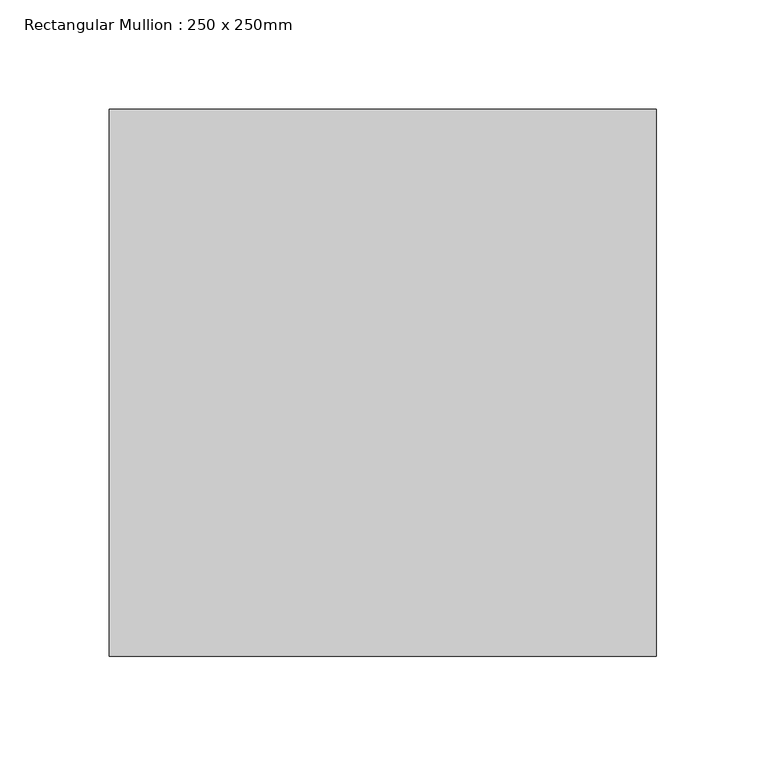
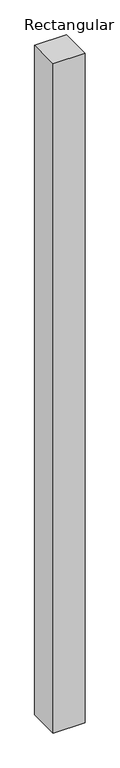
"""IFC4 building model written with IfcOpenShell, lengths in millimetres: member geometry, Rectangular Mullion : 250 x 250mm."""

import ifcopenshell
import ifcopenshell.guid

model = None  # the IFC model being written
_history = None  # IfcOwnerHistory: only IFC2X3 demands one
_inside = {}  # id of a spatial element -> (the spatial element, [elements in it])
_under = {}  # id of a project, library or spatial element -> (it, [spatial elements below it])
_declared = {}  # id of a project -> (the project, [libraries it declares])
_typed = {}  # id of a type object -> (the type object, [elements of that type])
_made_of = {}  # id of a material, layer set ... -> (it, [elements and type objects made of it])


def new_model(schema):
    """Start an empty IFC model of exactly this schema.

    Asked for "IFC4X3", IfcOpenShell would pick the latest addendum, in which some entities
    have other attributes; the version numbers below select the first issue.
    IFC2X3 requires an IfcOwnerHistory on every rooted entity: one is made here for all.
    """
    global model, _history
    if schema == "IFC4X3":
        model = ifcopenshell.file(schema_version=(4, 3, 0, 0))
    else:
        model = ifcopenshell.file(schema=schema)
    _inside.clear()
    _under.clear()
    _declared.clear()
    _typed.clear()
    _made_of.clear()
    _history = None
    if model.schema == "IFC2X3":
        org = make("IfcOrganization", Name="unknown")
        user = make(
            "IfcPersonAndOrganization",
            ThePerson=make("IfcPerson", FamilyName="unknown"),
            TheOrganization=org,
        )
        app = make(
            "IfcApplication",
            ApplicationDeveloper=org,
            Version="unknown",
            ApplicationFullName="unknown",
            ApplicationIdentifier="unknown",
        )
        _history = make(
            "IfcOwnerHistory",
            OwningUser=user,
            OwningApplication=app,
            ChangeAction="ADDED",
            CreationDate=0,
        )
    return model


def make(cls, **values):
    """One entity of the class cls with the attributes given. An attribute that is None is left unset."""
    return model.create_entity(
        cls, **{name: value for name, value in values.items() if value is not None}
    )


def rooted(cls, **values):
    """An entity with a GlobalId (a new one), such as an element, a storey or a relation."""
    return make(cls, GlobalId=ifcopenshell.guid.new(), OwnerHistory=_history, **values)


def si_unit(unit_type, name, prefix=None):
    """IfcSIUnit, for example si_unit("LENGTHUNIT", "METRE", prefix="MILLI")."""
    return make("IfcSIUnit", UnitType=unit_type, Prefix=prefix, Name=name)


def assignment(units):
    """IfcUnitAssignment: the units of a project."""
    return None if units is None else make("IfcUnitAssignment", Units=units)


def point(xyz):
    """IfcCartesianPoint."""
    return None if xyz is None else make("IfcCartesianPoint", Coordinates=xyz)


def direction(xyz):
    """IfcDirection."""
    return None if xyz is None else make("IfcDirection", DirectionRatios=xyz)


def frame(location, z_axis=None, x_axis=None):
    """IfcAxis2Placement3D, a coordinate frame: its origin and axes. An axis left out is left unset."""
    return make(
        "IfcAxis2Placement3D",
        Location=point(location),
        Axis=direction(z_axis),
        RefDirection=direction(x_axis),
    )


def origin():
    """The frame at (0, 0, 0) with its axes left unset."""
    return frame((0.0, 0.0, 0.0))


def place(relative_to, where):
    """IfcLocalPlacement: puts the frame where relative to a parent placement (None: the world)."""
    return make(
        "IfcLocalPlacement", PlacementRelTo=relative_to, RelativePlacement=where
    )


def context(
    kind, dimensions, precision=None, world=None, true_north=None, identifier=None
):
    """IfcGeometricRepresentationContext, for example the 3D "Model" context."""
    return make(
        "IfcGeometricRepresentationContext",
        ContextIdentifier=identifier,
        ContextType=kind,
        CoordinateSpaceDimension=dimensions,
        Precision=precision,
        WorldCoordinateSystem=world,
        TrueNorth=true_north,
    )


def project(units=None, contexts=None):
    """IfcProject with its units and contexts."""
    return rooted(
        "IfcProject",
        Name="project",
        RepresentationContexts=contexts,
        UnitsInContext=assignment(units),
    )


def spatial(cls, under=None, at=None, **own):
    """A site, building, storey or space (cls), placed at a placement, below another one or the project."""
    s = rooted(cls, ObjectPlacement=at, **own)
    if under is not None:
        _under.setdefault(under.id(), (under, []))[1].append(s)
    return s


def polyline(points):
    """IfcPolyline through the points."""
    return make("IfcPolyline", Points=[point(p) for p in points])


def outline(outer, holes=None, kind="AREA"):
    """IfcArbitraryClosedProfileDef: a profile drawn as a closed curve; with holes, ...WithVoids."""
    if holes is None:
        return make("IfcArbitraryClosedProfileDef", ProfileType=kind, OuterCurve=outer)
    return make(
        "IfcArbitraryProfileDefWithVoids",
        ProfileType=kind,
        OuterCurve=outer,
        InnerCurves=holes,
    )


def extrude(swept, where, along, depth):
    """IfcExtrudedAreaSolid: the profile swept, set in the frame where, extruded along a direction by depth."""
    return make(
        "IfcExtrudedAreaSolid",
        SweptArea=swept,
        Position=where,
        ExtrudedDirection=direction(along),
        Depth=depth,
    )


def shape(context_of_items, identifier, shape_type, items):
    """IfcShapeRepresentation: the items that make up one representation, for example the "Body"."""
    return make(
        "IfcShapeRepresentation",
        ContextOfItems=context_of_items,
        RepresentationIdentifier=identifier,
        RepresentationType=shape_type,
        Items=items,
    )


def source(mapping_origin, context_of_items, identifier, shape_type, items):
    """IfcRepresentationMap: a shape defined once, which mapped items show again and again."""
    return make(
        "IfcRepresentationMap",
        MappingOrigin=mapping_origin,
        MappedRepresentation=shape(context_of_items, identifier, shape_type, items),
    )


def transform(
    local_origin,
    x_axis=None,
    y_axis=None,
    z_axis=None,
    scale=None,
    scale2=None,
    scale3=None,
    uniform=True,
):
    """IfcCartesianTransformationOperator3D, or its non-uniform kind. x_axis, y_axis, z_axis: its Axis1, 2, 3."""
    if uniform:
        return make(
            "IfcCartesianTransformationOperator3D",
            Axis1=direction(x_axis),
            Axis2=direction(y_axis),
            LocalOrigin=point(local_origin),
            Scale=scale,
            Axis3=direction(z_axis),
        )
    return make(
        "IfcCartesianTransformationOperator3DnonUniform",
        Axis1=direction(x_axis),
        Axis2=direction(y_axis),
        LocalOrigin=point(local_origin),
        Scale=scale,
        Axis3=direction(z_axis),
        Scale2=scale2,
        Scale3=scale3,
    )


def mapped(mapping_source, mapping_target):
    """IfcMappedItem: shows the shape of a source again, moved by a transform."""
    return make(
        "IfcMappedItem", MappingSource=mapping_source, MappingTarget=mapping_target
    )


def made_of(thing, what):
    """Note that an element or type object is made of a material, layer set ...; save() writes the relation."""
    if what is not None:
        _made_of.setdefault(what.id(), (what, []))[1].append(thing)
    return thing


def element(
    cls,
    number,
    at=None,
    inside=None,
    cuts=None,
    type_object=None,
    material=None,
    context=None,
    identifier="Body",
    shape_type=None,
    held_by="IfcProductDefinitionShape",
    body=None,
    shapes=None,
    **own,
):
    """One element of the class cls, such as IfcWall. Its Tag is "e" and its number.

    at: its placement. inside: the storey or other place that contains it. cuts: it is an
    opening in that element (IfcRelVoidsElement). A single representation is given by context,
    identifier, shape_type and body (its items); several are given by shapes. held_by: the class
    of the entity that holds the representations. save() writes the other relations.
    """
    e = rooted(cls, Tag="e%d" % number, ObjectPlacement=at, **own)
    if body is not None:
        shapes = [shape(context, identifier, shape_type, body)]
    if shapes is not None:
        e.Representation = make(held_by, Representations=shapes)
    if inside is not None:
        _inside.setdefault(inside.id(), (inside, []))[1].append(e)
    if cuts is not None:
        rooted(
            "IfcRelVoidsElement", RelatingBuildingElement=cuts, RelatedOpeningElement=e
        )
    if type_object is not None:
        _typed.setdefault(type_object.id(), (type_object, []))[1].append(e)
    return made_of(e, material)


def aggregate(whole, parts):
    """IfcRelAggregates: a whole, such as a stair, and the parts it consists of."""
    return rooted("IfcRelAggregates", RelatingObject=whole, RelatedObjects=parts)


def save(model, path):
    """Write the relations noted so far, then the file.

    IfcRelAggregates (storeys below a building ...), IfcRelContainedInSpatialStructure (elements
    in a storey), IfcRelDefinesByType, IfcRelAssociatesMaterial and IfcRelDeclares: one each for
    every whole, place, type object, material and project.
    """
    for whole, parts in _under.values():
        aggregate(whole, parts)
    for where, things in _inside.values():
        rooted(
            "IfcRelContainedInSpatialStructure",
            RelatedElements=things,
            RelatingStructure=where,
        )
    for kind, things in _typed.values():
        rooted("IfcRelDefinesByType", RelatedObjects=things, RelatingType=kind)
    for what, things in _made_of.values():
        rooted("IfcRelAssociatesMaterial", RelatedObjects=things, RelatingMaterial=what)
    for by, libraries in _declared.values():
        rooted("IfcRelDeclares", RelatingContext=by, RelatedDefinitions=libraries)
    model.write(path)


def rectangular_mullion_250_x_250mm_22647bc9(model_context):
    return source(origin(), model_context, "Body", "SweptSolid", [
        extrude(outline(polyline([(0.0, 125.0), (0.0, -125.0), (-250.0, -125.0), (-250.0, 125.0), (0.0, 125.0)])), frame((0.0, 0.0, -5537.7025565), z_axis=(0.0, 0.0, 1.0), x_axis=(1.0, 0.0, 0.0)), (0.0, 0.0, 1.0), 5537.7025565),
    ])


if __name__ == "__main__":
    model = new_model("IFC4")
    model_context = context("Model", 3, world=origin())
    ifc_project = project(units=[si_unit("LENGTHUNIT", "METRE", prefix="MILLI")], contexts=[model_context])
    site = spatial("IfcSite", under=ifc_project)
    building = spatial("IfcBuilding", under=site)
    placement = place(None, origin())
    rectangular_mullion_250_x_250mm_shape = rectangular_mullion_250_x_250mm_22647bc9(model_context)
    element("IfcMember", 1, ObjectType="Rectangular Mullion : 250 x 250mm", at=placement, inside=building, context=model_context, shape_type="MappedRepresentation", body=[
        mapped(rectangular_mullion_250_x_250mm_shape, transform((0.0, 0.0, 0.0), x_axis=(1.0, 0.0, 0.0), y_axis=(0.0, 1.0, 0.0), z_axis=(0.0, 0.0, 1.0))),
    ])
    save(model, "model.ifc")
